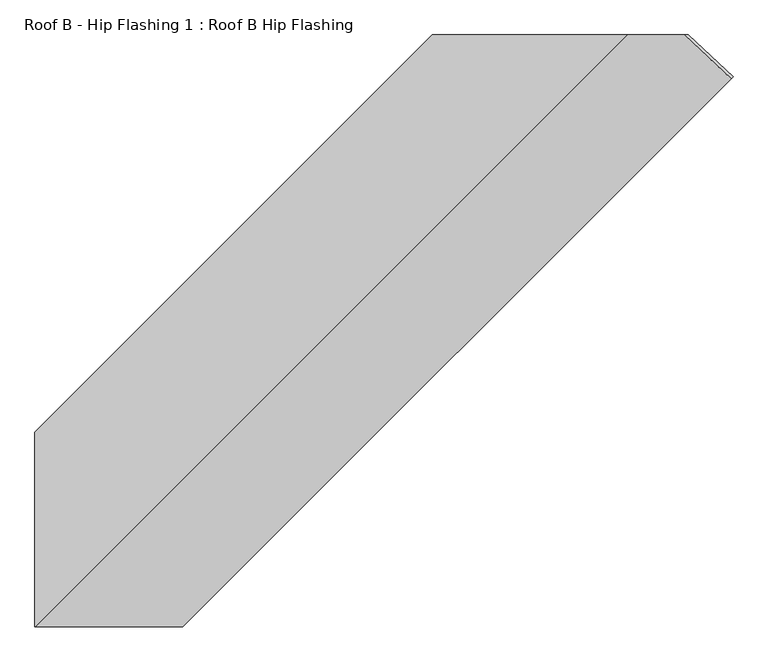
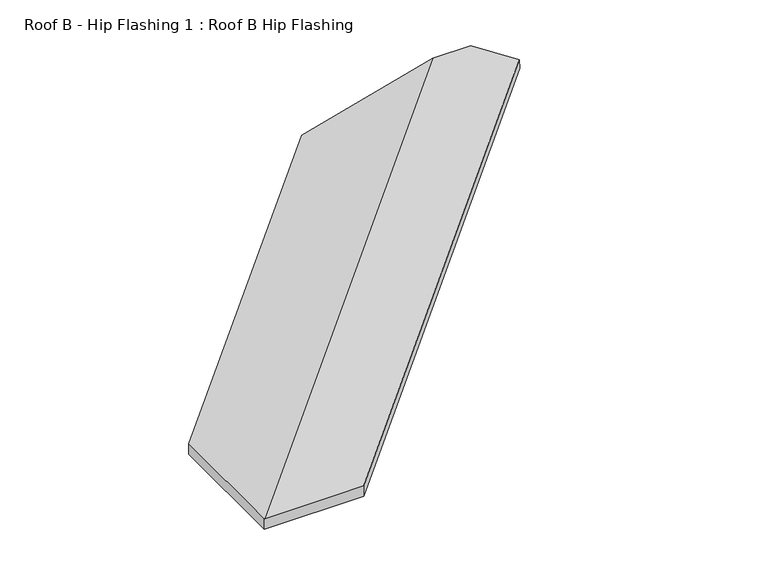
"""IFC4 building model written with IfcOpenShell, lengths in millimetres: proxy geometry, Roof B - Hip Flashing 1 : Roof B Hip Flashing."""

from ifc_helpers import new_model, si_unit, origin, place, context, project, spatial, faceted_brep, source, transform, mapped, element, save


def roof_b_hip_flashing_1_roof_b_hip_flashing_2db54a86(model_context):
    return source(origin(), model_context, "Body", "Brep", [
        faceted_brep([(1006.8170572, -3400.2441419, 3635.261907), (1011.6107982, -3395.4504009, 3599.4809368), (908.7834952, -3299.5112211, 3625.1877625), (898.851838, -3299.5112211, 3662.2532118), (-593.6353742, -4212.9024852, 3260.5125626), (-593.6353742, -4212.9024852, 3297.2322164), (319.75589, -3299.5112211, 3541.974668), (319.75589, -3299.5112211, 3505.2550142), (-593.6353742, -4660.4975954, 3297.2322164), (-592.3448479, -4660.4975954, 3297.5780119), (768.6415264, -3299.5112211, 3662.2532118), (-253.4363964, -4660.4975954, 3297.5780119), (-253.4363964, -4660.4975954, 3260.5125626), (-593.6353742, -4660.4975954, 3260.5125626), (767.3510002, -3299.5112211, 3625.1877625)], [[[0, 1, 2, 3]], [[4, 5, 6, 7]], [[6, 5, 8, 9, 10]], [[0, 3, 10, 9, 11]], [[1, 0, 11, 12]], [[2, 1, 12, 13, 14]], [[13, 4, 7, 14]], [[5, 4, 13, 8]], [[3, 2, 14, 7, 6, 10]], [[9, 8, 13, 12, 11]]]),
    ])


if __name__ == "__main__":
    model = new_model("IFC4")
    model_context = context("Model", 3, world=origin())
    ifc_project = project(units=[si_unit("LENGTHUNIT", "METRE", prefix="MILLI")], contexts=[model_context])
    site = spatial("IfcSite", under=ifc_project)
    building = spatial("IfcBuilding", under=site)
    placement = place(None, origin())
    roof_b_hip_flashing_1_roof_b_hip_flashing_shape = roof_b_hip_flashing_1_roof_b_hip_flashing_2db54a86(model_context)
    element("IfcBuildingElementProxy", 1, Name="Roof B - Hip Flashing 1 : Roof B Hip Flashing", ObjectType="Roof B - Hip Flashing 1 : Roof B Hip Flashing", at=placement, inside=building, context=model_context, shape_type="MappedRepresentation", body=[
        mapped(roof_b_hip_flashing_1_roof_b_hip_flashing_shape, transform((0.0, 0.0, 0.0), x_axis=(1.0, 0.0, 0.0), y_axis=(0.0, 1.0, 0.0), z_axis=(0.0, 0.0, 1.0))),
    ])
    save(model, "model.ifc")
